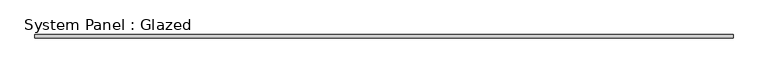
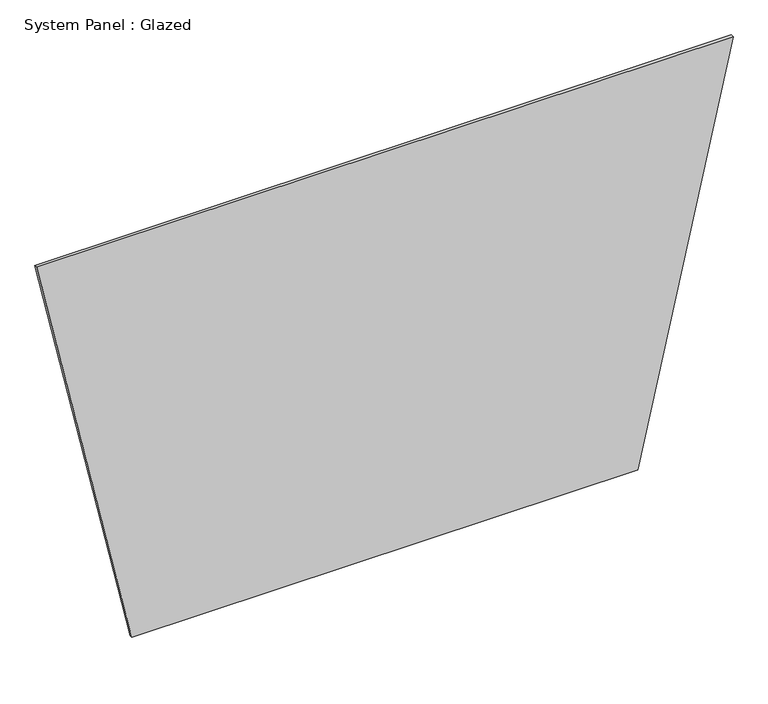
"""IFC4 building model written with IfcOpenShell, lengths in millimetres: plate geometry, System Panel : Glazed."""

from ifc_helpers import new_model, si_unit, frame, origin, place, context, project, spatial, polyline, outline, extrude, source, transform, mapped, element, save


def system_panel_glazed_2ac72c05(model_context):
    return source(origin(), model_context, "Body", "SweptSolid", [
        extrude(outline(polyline([(0.0, -1997.991952), (0.0, 1997.991952), (3358.3935077, 2750.0), (3358.3935077, -2750.0), (0.0, -1997.991952)])), frame((0.0, -49.5, 0.0), z_axis=(0.0, 1.0, 0.0), x_axis=(0.0, 0.0, 1.0)), (0.0, 0.0, 1.0), 25.0),
    ])


if __name__ == "__main__":
    model = new_model("IFC4")
    model_context = context("Model", 3, world=origin())
    ifc_project = project(units=[si_unit("LENGTHUNIT", "METRE", prefix="MILLI")], contexts=[model_context])
    site = spatial("IfcSite", under=ifc_project)
    building = spatial("IfcBuilding", under=site)
    placement = place(None, origin())
    system_panel_glazed_shape = system_panel_glazed_2ac72c05(model_context)
    element("IfcPlate", 1, ObjectType="System Panel : Glazed", at=placement, inside=building, context=model_context, shape_type="MappedRepresentation", body=[
        mapped(system_panel_glazed_shape, transform((0.0, 0.0, 0.0), x_axis=(1.0, 0.0, 0.0), y_axis=(0.0, 1.0, 0.0), z_axis=(0.0, 0.0, 1.0))),
    ])
    save(model, "model.ifc")
